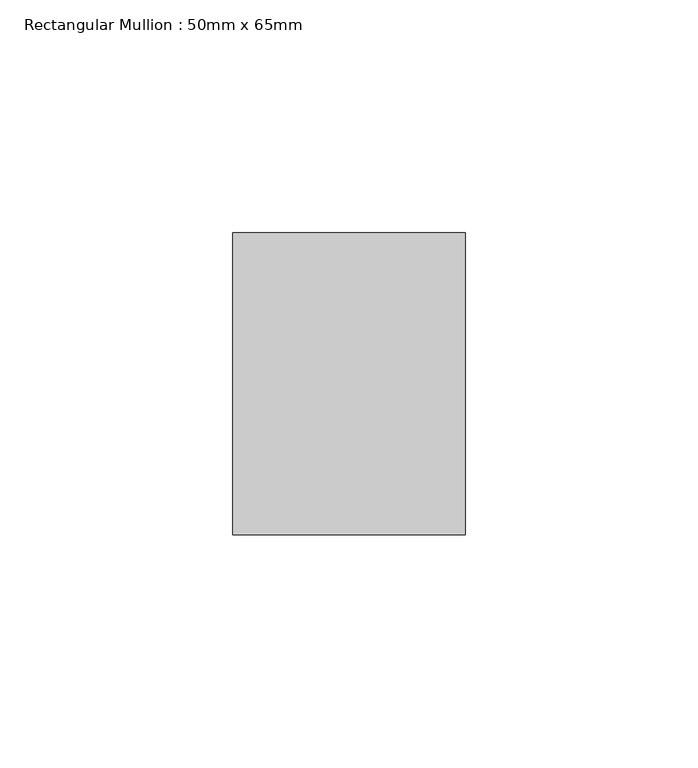
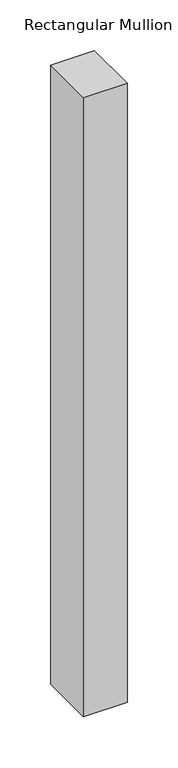
"""IFC4 building model written with IfcOpenShell, lengths in millimetres: member geometry, Rectangular Mullion : 50mm x 65mm."""

from ifc_helpers import new_model, si_unit, frame, origin, place, context, project, spatial, polyline, outline, extrude, source, transform, mapped, element, save


def rectangular_mullion_50mm_x_65mm_ea82f4b6(model_context):
    return source(origin(), model_context, "Body", "SweptSolid", [
        extrude(outline(polyline([(25.0, 32.5), (25.0, -32.5), (-25.0, -32.5), (-25.0, 32.5), (25.0, 32.5)])), frame((0.0, 0.0, -748.3578769), z_axis=(0.0, 0.0, 1.0), x_axis=(1.0, 0.0, 0.0)), (0.0, 0.0, 1.0), 748.3578769),
    ])


if __name__ == "__main__":
    model = new_model("IFC4")
    model_context = context("Model", 3, world=origin())
    ifc_project = project(units=[si_unit("LENGTHUNIT", "METRE", prefix="MILLI")], contexts=[model_context])
    site = spatial("IfcSite", under=ifc_project)
    building = spatial("IfcBuilding", under=site)
    placement = place(None, origin())
    rectangular_mullion_50mm_x_65mm_shape = rectangular_mullion_50mm_x_65mm_ea82f4b6(model_context)
    element("IfcMember", 1, ObjectType="Rectangular Mullion : 50mm x 65mm", at=placement, inside=building, context=model_context, shape_type="MappedRepresentation", body=[
        mapped(rectangular_mullion_50mm_x_65mm_shape, transform((0.0, 0.0, 0.0), x_axis=(1.0, 0.0, 0.0), y_axis=(0.0, 1.0, 0.0), z_axis=(0.0, 0.0, 1.0))),
    ])
    save(model, "model.ifc")
